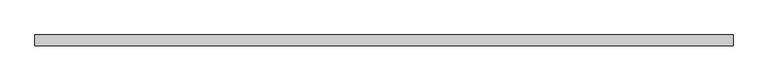
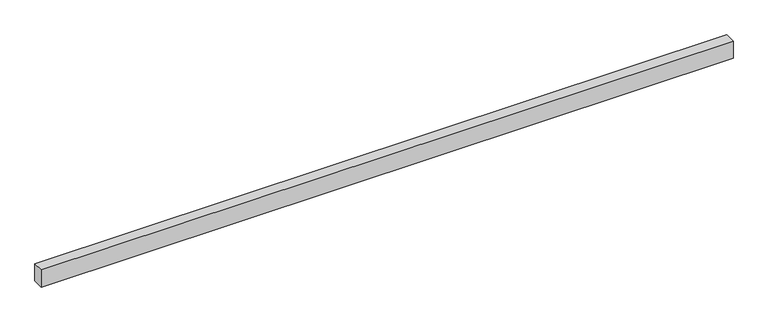
"""IFC4 building model written with IfcOpenShell, lengths in millimetres: proxy geometry."""

import ifcopenshell
import ifcopenshell.guid

model = None  # the IFC model being written
_history = None  # IfcOwnerHistory: only IFC2X3 demands one
_inside = {}  # id of a spatial element -> (the spatial element, [elements in it])
_under = {}  # id of a project, library or spatial element -> (it, [spatial elements below it])
_declared = {}  # id of a project -> (the project, [libraries it declares])
_typed = {}  # id of a type object -> (the type object, [elements of that type])
_made_of = {}  # id of a material, layer set ... -> (it, [elements and type objects made of it])


def new_model(schema):
    """Start an empty IFC model of exactly this schema.

    Asked for "IFC4X3", IfcOpenShell would pick the latest addendum, in which some entities
    have other attributes; the version numbers below select the first issue.
    IFC2X3 requires an IfcOwnerHistory on every rooted entity: one is made here for all.
    """
    global model, _history
    if schema == "IFC4X3":
        model = ifcopenshell.file(schema_version=(4, 3, 0, 0))
    else:
        model = ifcopenshell.file(schema=schema)
    _inside.clear()
    _under.clear()
    _declared.clear()
    _typed.clear()
    _made_of.clear()
    _history = None
    if model.schema == "IFC2X3":
        org = make("IfcOrganization", Name="unknown")
        user = make(
            "IfcPersonAndOrganization",
            ThePerson=make("IfcPerson", FamilyName="unknown"),
            TheOrganization=org,
        )
        app = make(
            "IfcApplication",
            ApplicationDeveloper=org,
            Version="unknown",
            ApplicationFullName="unknown",
            ApplicationIdentifier="unknown",
        )
        _history = make(
            "IfcOwnerHistory",
            OwningUser=user,
            OwningApplication=app,
            ChangeAction="ADDED",
            CreationDate=0,
        )
    return model


def make(cls, **values):
    """One entity of the class cls with the attributes given. An attribute that is None is left unset."""
    return model.create_entity(
        cls, **{name: value for name, value in values.items() if value is not None}
    )


def rooted(cls, **values):
    """An entity with a GlobalId (a new one), such as an element, a storey or a relation."""
    return make(cls, GlobalId=ifcopenshell.guid.new(), OwnerHistory=_history, **values)


def si_unit(unit_type, name, prefix=None):
    """IfcSIUnit, for example si_unit("LENGTHUNIT", "METRE", prefix="MILLI")."""
    return make("IfcSIUnit", UnitType=unit_type, Prefix=prefix, Name=name)


def assignment(units):
    """IfcUnitAssignment: the units of a project."""
    return None if units is None else make("IfcUnitAssignment", Units=units)


def point(xyz):
    """IfcCartesianPoint."""
    return None if xyz is None else make("IfcCartesianPoint", Coordinates=xyz)


def direction(xyz):
    """IfcDirection."""
    return None if xyz is None else make("IfcDirection", DirectionRatios=xyz)


def frame(location, z_axis=None, x_axis=None):
    """IfcAxis2Placement3D, a coordinate frame: its origin and axes. An axis left out is left unset."""
    return make(
        "IfcAxis2Placement3D",
        Location=point(location),
        Axis=direction(z_axis),
        RefDirection=direction(x_axis),
    )


def origin():
    """The frame at (0, 0, 0) with its axes left unset."""
    return frame((0.0, 0.0, 0.0))


def origin_with_axes():
    """The frame at (0, 0, 0) with the z axis (0, 0, 1) and the x axis (1, 0, 0) written out."""
    return frame((0.0, 0.0, 0.0), z_axis=(0.0, 0.0, 1.0), x_axis=(1.0, 0.0, 0.0))


def place(relative_to, where):
    """IfcLocalPlacement: puts the frame where relative to a parent placement (None: the world)."""
    return make(
        "IfcLocalPlacement", PlacementRelTo=relative_to, RelativePlacement=where
    )


def context(
    kind, dimensions, precision=None, world=None, true_north=None, identifier=None
):
    """IfcGeometricRepresentationContext, for example the 3D "Model" context."""
    return make(
        "IfcGeometricRepresentationContext",
        ContextIdentifier=identifier,
        ContextType=kind,
        CoordinateSpaceDimension=dimensions,
        Precision=precision,
        WorldCoordinateSystem=world,
        TrueNorth=true_north,
    )


def project(units=None, contexts=None):
    """IfcProject with its units and contexts."""
    return rooted(
        "IfcProject",
        Name="project",
        RepresentationContexts=contexts,
        UnitsInContext=assignment(units),
    )


def spatial(cls, under=None, at=None, **own):
    """A site, building, storey or space (cls), placed at a placement, below another one or the project."""
    s = rooted(cls, ObjectPlacement=at, **own)
    if under is not None:
        _under.setdefault(under.id(), (under, []))[1].append(s)
    return s


def polyline(points):
    """IfcPolyline through the points."""
    return make("IfcPolyline", Points=[point(p) for p in points])


def outline(outer, holes=None, kind="AREA"):
    """IfcArbitraryClosedProfileDef: a profile drawn as a closed curve; with holes, ...WithVoids."""
    if holes is None:
        return make("IfcArbitraryClosedProfileDef", ProfileType=kind, OuterCurve=outer)
    return make(
        "IfcArbitraryProfileDefWithVoids",
        ProfileType=kind,
        OuterCurve=outer,
        InnerCurves=holes,
    )


def extrude(swept, where, along, depth):
    """IfcExtrudedAreaSolid: the profile swept, set in the frame where, extruded along a direction by depth."""
    return make(
        "IfcExtrudedAreaSolid",
        SweptArea=swept,
        Position=where,
        ExtrudedDirection=direction(along),
        Depth=depth,
    )


def shape(context_of_items, identifier, shape_type, items):
    """IfcShapeRepresentation: the items that make up one representation, for example the "Body"."""
    return make(
        "IfcShapeRepresentation",
        ContextOfItems=context_of_items,
        RepresentationIdentifier=identifier,
        RepresentationType=shape_type,
        Items=items,
    )


def source(mapping_origin, context_of_items, identifier, shape_type, items):
    """IfcRepresentationMap: a shape defined once, which mapped items show again and again."""
    return make(
        "IfcRepresentationMap",
        MappingOrigin=mapping_origin,
        MappedRepresentation=shape(context_of_items, identifier, shape_type, items),
    )


def transform(
    local_origin,
    x_axis=None,
    y_axis=None,
    z_axis=None,
    scale=None,
    scale2=None,
    scale3=None,
    uniform=True,
):
    """IfcCartesianTransformationOperator3D, or its non-uniform kind. x_axis, y_axis, z_axis: its Axis1, 2, 3."""
    if uniform:
        return make(
            "IfcCartesianTransformationOperator3D",
            Axis1=direction(x_axis),
            Axis2=direction(y_axis),
            LocalOrigin=point(local_origin),
            Scale=scale,
            Axis3=direction(z_axis),
        )
    return make(
        "IfcCartesianTransformationOperator3DnonUniform",
        Axis1=direction(x_axis),
        Axis2=direction(y_axis),
        LocalOrigin=point(local_origin),
        Scale=scale,
        Axis3=direction(z_axis),
        Scale2=scale2,
        Scale3=scale3,
    )


def mapped(mapping_source, mapping_target):
    """IfcMappedItem: shows the shape of a source again, moved by a transform."""
    return make(
        "IfcMappedItem", MappingSource=mapping_source, MappingTarget=mapping_target
    )


def made_of(thing, what):
    """Note that an element or type object is made of a material, layer set ...; save() writes the relation."""
    if what is not None:
        _made_of.setdefault(what.id(), (what, []))[1].append(thing)
    return thing


def element(
    cls,
    number,
    at=None,
    inside=None,
    cuts=None,
    type_object=None,
    material=None,
    context=None,
    identifier="Body",
    shape_type=None,
    held_by="IfcProductDefinitionShape",
    body=None,
    shapes=None,
    **own,
):
    """One element of the class cls, such as IfcWall. Its Tag is "e" and its number.

    at: its placement. inside: the storey or other place that contains it. cuts: it is an
    opening in that element (IfcRelVoidsElement). A single representation is given by context,
    identifier, shape_type and body (its items); several are given by shapes. held_by: the class
    of the entity that holds the representations. save() writes the other relations.
    """
    e = rooted(cls, Tag="e%d" % number, ObjectPlacement=at, **own)
    if body is not None:
        shapes = [shape(context, identifier, shape_type, body)]
    if shapes is not None:
        e.Representation = make(held_by, Representations=shapes)
    if inside is not None:
        _inside.setdefault(inside.id(), (inside, []))[1].append(e)
    if cuts is not None:
        rooted(
            "IfcRelVoidsElement", RelatingBuildingElement=cuts, RelatedOpeningElement=e
        )
    if type_object is not None:
        _typed.setdefault(type_object.id(), (type_object, []))[1].append(e)
    return made_of(e, material)


def aggregate(whole, parts):
    """IfcRelAggregates: a whole, such as a stair, and the parts it consists of."""
    return rooted("IfcRelAggregates", RelatingObject=whole, RelatedObjects=parts)


def save(model, path):
    """Write the relations noted so far, then the file.

    IfcRelAggregates (storeys below a building ...), IfcRelContainedInSpatialStructure (elements
    in a storey), IfcRelDefinesByType, IfcRelAssociatesMaterial and IfcRelDeclares: one each for
    every whole, place, type object, material and project.
    """
    for whole, parts in _under.values():
        aggregate(whole, parts)
    for where, things in _inside.values():
        rooted(
            "IfcRelContainedInSpatialStructure",
            RelatedElements=things,
            RelatingStructure=where,
        )
    for kind, things in _typed.values():
        rooted("IfcRelDefinesByType", RelatedObjects=things, RelatingType=kind)
    for what, things in _made_of.values():
        rooted("IfcRelAssociatesMaterial", RelatedObjects=things, RelatingMaterial=what)
    for by, libraries in _declared.values():
        rooted("IfcRelDeclares", RelatingContext=by, RelatedDefinitions=libraries)
    model.write(path)


def generic_models_de622fbb(model_context):
    return source(origin(), model_context, "Body", "SweptSolid", [
        extrude(outline(polyline([(19000.0, 300.0), (19000.0, 0.0), (0.0, 0.0), (0.0, 300.0), (19000.0, 300.0)])), origin_with_axes(), (0.0, 0.0, 1.0), 500.0),
    ])


if __name__ == "__main__":
    model = new_model("IFC4")
    model_context = context("Model", 3, world=origin())
    ifc_project = project(units=[si_unit("LENGTHUNIT", "METRE", prefix="MILLI")], contexts=[model_context])
    site = spatial("IfcSite", under=ifc_project)
    building = spatial("IfcBuilding", under=site)
    placement = place(None, origin())
    generic_models_shape = generic_models_de622fbb(model_context)
    element("IfcBuildingElementProxy", 1, Name="Generic Models", at=placement, inside=building, context=model_context, shape_type="MappedRepresentation", body=[
        mapped(generic_models_shape, transform((0.0, 0.0, 0.0), x_axis=(1.0, 0.0, 0.0), y_axis=(0.0, 1.0, 0.0), z_axis=(0.0, 0.0, 1.0))),
    ])
    save(model, "model.ifc")
